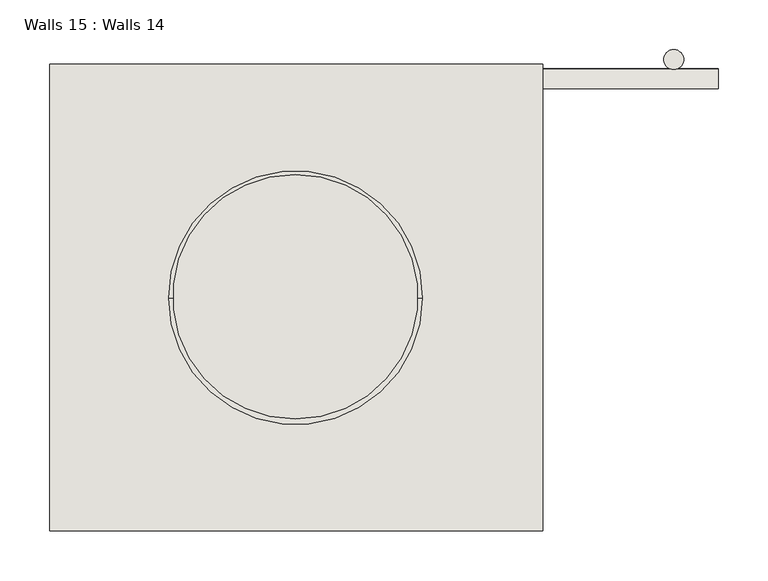
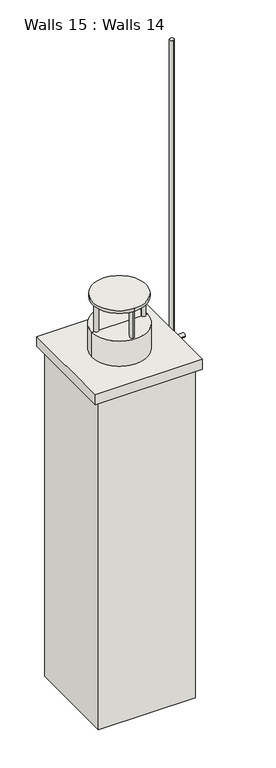
"""IFC4 building model written with IfcOpenShell, lengths in millimetres: wall geometry, Walls 15 : Walls 14."""

from ifc_helpers import new_model, si_unit, point, frame, frame_2d, origin, place, context, project, spatial, polyline, circle_curve, trimmed, segment, composite_curve, outline, extrude, source, transform, mapped, element, save
from ifc_brep_helpers import plane_surface, cylinder_surface, advanced_brep


def walls_15_walls_14_51b9c6cc(model_context):
    return source(origin(), model_context, "Body", "SolidModel", [
        extrude(outline(composite_curve([segment(trimmed(circle_curve(frame_2d((-48322.3403082, 48564.2076516)), 10.0), [point((-48322.3403082, 48574.2076516))], [point((-48322.3403082, 48554.2076516))], False, "CARTESIAN"), True, "CONTINUOUS"), segment(trimmed(circle_curve(frame_2d((-48322.3403082, 48564.2076516)), 10.0), [point((-48322.3403082, 48554.2076516))], [point((-48322.3403082, 48574.2076516))], False, "CARTESIAN"), True, "CONTINUOUS")], self_intersect=False)), frame((0.0, 0.0, 115437.4079307), z_axis=(0.0, 0.0, 1.0), x_axis=(1.0, 0.0, 0.0)), (0.0, 0.0, 1.0), 1759.7919669),
        extrude(outline(composite_curve([segment(trimmed(circle_curve(frame_2d((48544.8727985, 115744.9767194)), 10.0), [point((48534.8727985, 115744.9767194))], [point((48554.8727985, 115744.9767194))], False, "CARTESIAN"), True, "CONTINUOUS"), segment(trimmed(circle_curve(frame_2d((48544.8727985, 115744.9767194)), 10.0), [point((48554.8727985, 115744.9767194))], [point((48534.8727985, 115744.9767194))], False, "CARTESIAN"), True, "CONTINUOUS")], self_intersect=False)), frame((-48638.8259101, 0.0, 0.0), z_axis=(1.0, 0.0, 0.0), x_axis=(0.0, 1.0, 0.0)), (0.0, 0.0, 1.0), 361.5290176),
        extrude(outline(composite_curve([segment(trimmed(circle_curve(frame_2d((48545.2104817, 115599.7040519)), 10.0), [point((48535.2104817, 115599.7040519))], [point((48555.2104817, 115599.7040519))], False, "CARTESIAN"), True, "CONTINUOUS"), segment(trimmed(circle_curve(frame_2d((48545.2104817, 115599.7040519)), 10.0), [point((48555.2104817, 115599.7040519))], [point((48535.2104817, 115599.7040519))], False, "CARTESIAN"), True, "CONTINUOUS")], self_intersect=False)), frame((-48638.8259101, 0.0, 0.0), z_axis=(1.0, 0.0, 0.0), x_axis=(0.0, 1.0, 0.0)), (0.0, 0.0, 1.0), 361.5290176),
        extrude(outline(composite_curve([segment(trimmed(circle_curve(frame_2d((-48703.3557915, 48325.19304)), 123.3421824), [point((-48703.3557915, 48201.8508576))], [point((-48703.3557915, 48448.5352225))], False, "CARTESIAN"), True, "CONTINUOUS"), segment(trimmed(circle_curve(frame_2d((-48703.3557915, 48325.19304)), 123.3421824), [point((-48703.3557915, 48448.5352225))], [point((-48703.3557915, 48201.8508576))], False, "CARTESIAN"), True, "CONTINUOUS")], self_intersect=False)), frame((0.0, 0.0, 116218.9138493), z_axis=(0.0, 0.0, 1.0), x_axis=(1.0, 0.0, 0.0)), (0.0, 0.0, 1.0), 13.0962291),
        extrude(outline(composite_curve([segment(trimmed(circle_curve(frame_2d((-48707.7166482, 48433.9178941)), 10.0), [point((-48707.7166482, 48423.9178941))], [point((-48707.7166482, 48443.9178941))], False, "CARTESIAN"), True, "CONTINUOUS"), segment(trimmed(circle_curve(frame_2d((-48707.7166482, 48433.9178941)), 10.0), [point((-48707.7166482, 48443.9178941))], [point((-48707.7166482, 48423.9178941))], False, "CARTESIAN"), True, "CONTINUOUS")], self_intersect=False)), frame((0.0, 0.0, 116086.3455574), z_axis=(0.0, 0.0, 1.0), x_axis=(1.0, 0.0, 0.0)), (0.0, 0.0, 1.0), 139.4268122),
        extrude(outline(composite_curve([segment(trimmed(circle_curve(frame_2d((-48708.4873374, 48215.0421804)), 10.0), [point((-48708.4873374, 48205.0421804))], [point((-48708.4873374, 48225.0421804))], False, "CARTESIAN"), True, "CONTINUOUS"), segment(trimmed(circle_curve(frame_2d((-48708.4873374, 48215.0421804)), 10.0), [point((-48708.4873374, 48225.0421804))], [point((-48708.4873374, 48205.0421804))], False, "CARTESIAN"), True, "CONTINUOUS")], self_intersect=False)), frame((0.0, 0.0, 116086.3455574), z_axis=(0.0, 0.0, 1.0), x_axis=(1.0, 0.0, 0.0)), (0.0, 0.0, 1.0), 139.4268122),
        extrude(outline(composite_curve([segment(trimmed(circle_curve(frame_2d((-48811.5416558, 48324.0946927)), 10.0), [point((-48801.5416558, 48324.0946927))], [point((-48821.5416558, 48324.0946927))], False, "CARTESIAN"), True, "CONTINUOUS"), segment(trimmed(circle_curve(frame_2d((-48811.5416558, 48324.0946927)), 10.0), [point((-48821.5416558, 48324.0946927))], [point((-48801.5416558, 48324.0946927))], False, "CARTESIAN"), True, "CONTINUOUS")], self_intersect=False)), frame((0.0, 0.0, 116086.3455574), z_axis=(0.0, 0.0, 1.0), x_axis=(1.0, 0.0, 0.0)), (0.0, 0.0, 1.0), 139.4268122),
        extrude(outline(composite_curve([segment(trimmed(circle_curve(frame_2d((-48592.6659421, 48323.3240036)), 10.0), [point((-48582.6659421, 48323.3240036))], [point((-48602.6659421, 48323.3240036))], False, "CARTESIAN"), True, "CONTINUOUS"), segment(trimmed(circle_curve(frame_2d((-48592.6659421, 48323.3240036)), 10.0), [point((-48602.6659421, 48323.3240036))], [point((-48582.6659421, 48323.3240036))], False, "CARTESIAN"), True, "CONTINUOUS")], self_intersect=False)), frame((0.0, 0.0, 116086.3455574), z_axis=(0.0, 0.0, 1.0), x_axis=(1.0, 0.0, 0.0)), (0.0, 0.0, 1.0), 139.4268122),
        advanced_brep(
        [(-48575.5323552, 48324.1682605, 116086.3455574), (-48831.0549151, 48324.1682605, 116086.3455574), (-48703.2936352, 48324.1682605, 116086.3455574), (-48575.5323552, 48324.1682605, 115948.035181), (-48831.0549151, 48324.1682605, 115948.035181), (-48703.2936352, 48324.1682605, 115948.035181)],
        [
            (0, 1, circle_curve(frame((-48703.2936352, 48324.1682605, 116086.3455574), z_axis=(0.0, 0.0, 1.0), x_axis=(-1.0, 0.0, 0.0)), 127.76128)),
            (1, 2),
            (2, 0),
            (1, 0, circle_curve(frame((-48703.2936352, 48324.1682605, 116086.3455574), z_axis=(0.0, 0.0, 1.0), x_axis=(-1.0, 0.0, 0.0)), 127.76128)),
            (3, 4, circle_curve(frame((-48703.2936352, 48324.1682605, 115948.035181), z_axis=(0.0, 0.0, 1.0), x_axis=(-1.0, 0.0, 0.0)), 127.76128)),
            (4, 1),
            (0, 3),
            (4, 3, circle_curve(frame((-48703.2936352, 48324.1682605, 115948.035181), z_axis=(0.0, 0.0, 1.0), x_axis=(-1.0, 0.0, 0.0)), 127.76128)),
            (5, 4),
            (3, 5),
        ],
        [
            plane_surface(frame((-48703.2936352, 48324.1682605, 116086.3455574), z_axis=(0.0, 0.0, 1.0), x_axis=(-1.0, 0.0, 0.0))),
            cylinder_surface(frame((-48703.2936352, 48324.1682605, 116086.3455574), z_axis=(0.0, 0.0, -1.0), x_axis=(-1.0, 0.0, 0.0)), 127.76128),
            plane_surface(frame((-48703.2936352, 48324.1682605, 115948.035181), z_axis=(0.0, 0.0, -1.0), x_axis=(-1.0, 0.0, 0.0))),
        ],
        [
            (0, [[1, 2, 3]]),
            (0, [[4, -3, -2]]),
            (1, [[5, 6, -1, 7]]),
            (1, [[8, -7, -4, -6]]),
            (2, [[9, -5, 10]]),
            (2, [[-10, -8, -9]]),
        ],
    ),
        extrude(outline(polyline([(-48454.2328127, 48089.3643676), (-48950.9766995, 48089.3643676), (-48950.9766995, 48559.6060307), (-48454.2328127, 48559.6060307), (-48454.2328127, 48089.3643676)])), frame((0.0, 0.0, 115915.2628867), z_axis=(0.0, 0.0, 1.0), x_axis=(1.0, 0.0, 0.0)), (0.0, 0.0, 1.0), 48.5229956),
        extrude(outline(polyline([(-48478.9173013, 48104.1682605), (-48928.0248309, 48104.1682605), (-48928.0248309, 48536.9661581), (-48478.9173013, 48536.9661581), (-48478.9173013, 48104.1682605)])), frame((0.0, 0.0, 114306.2783928), z_axis=(0.0, 0.0, 1.0), x_axis=(1.0, 0.0, 0.0)), (0.0, 0.0, 1.0), 1615.8477504),
    ])


if __name__ == "__main__":
    model = new_model("IFC4")
    model_context = context("Model", 3, world=origin())
    ifc_project = project(units=[si_unit("LENGTHUNIT", "METRE", prefix="MILLI")], contexts=[model_context])
    site = spatial("IfcSite", under=ifc_project)
    building = spatial("IfcBuilding", under=site)
    placement = place(None, origin())
    walls_15_walls_14_shape = walls_15_walls_14_51b9c6cc(model_context)
    element("IfcWall", 1, ObjectType="Walls 15 : Walls 14", at=placement, inside=building, context=model_context, shape_type="MappedRepresentation", body=[
        mapped(walls_15_walls_14_shape, transform((0.0, 0.0, 0.0), x_axis=(1.0, 0.0, 0.0), y_axis=(0.0, 1.0, 0.0), z_axis=(0.0, 0.0, 1.0))),
    ])
    save(model, "model.ifc")
